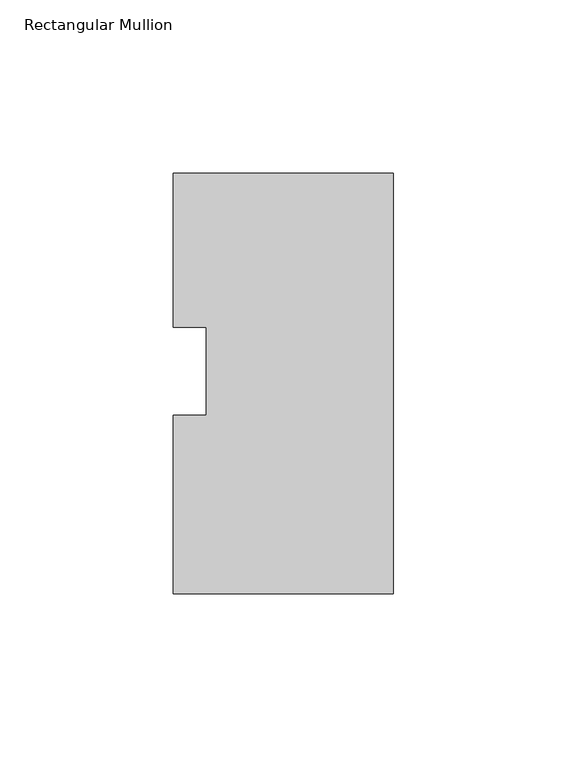
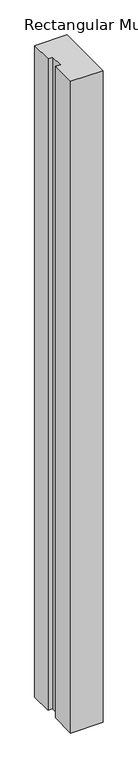
"""IFC4 building model written with IfcOpenShell, lengths in millimetres: member geometry, Rectangular Mullion."""

from ifc_helpers import new_model, si_unit, frame, origin, place, context, project, spatial, polyline, outline, extrude, source, transform, mapped, element, save


def rectangular_mullion_d2f59291(model_context):
    return source(origin(), model_context, "Body", "SweptSolid", [
        extrude(outline(polyline([(-63.5232598, 12.7079921), (-63.5403423, 57.1317066), (-0.0466969, 57.1561222), (0.0, -64.2812688), (-63.5010106, -64.3056872), (-63.5208241, -12.7797072), (-53.9958248, -12.7760445), (-54.0056257, 12.711652), (-63.5232598, 12.7079921)])), frame((0.0, 0.0, -1343.025), z_axis=(0.0, 0.0, 1.0), x_axis=(1.0, 0.0, 0.0)), (0.0, 0.0, 1.0), 1343.025),
    ])


if __name__ == "__main__":
    model = new_model("IFC4")
    model_context = context("Model", 3, world=origin())
    ifc_project = project(units=[si_unit("LENGTHUNIT", "METRE", prefix="MILLI")], contexts=[model_context])
    site = spatial("IfcSite", under=ifc_project)
    building = spatial("IfcBuilding", under=site)
    placement = place(None, origin())
    rectangular_mullion_shape = rectangular_mullion_d2f59291(model_context)
    element("IfcMember", 1, ObjectType="Rectangular Mullion", at=placement, inside=building, context=model_context, shape_type="MappedRepresentation", body=[
        mapped(rectangular_mullion_shape, transform((0.0, 0.0, 0.0), x_axis=(1.0, 0.0, 0.0), y_axis=(0.0, 1.0, 0.0), z_axis=(0.0, 0.0, 1.0))),
    ])
    save(model, "model.ifc")
